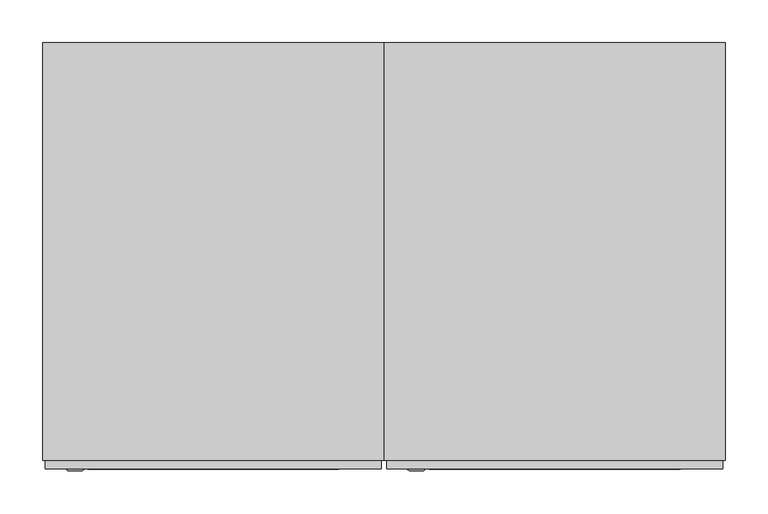
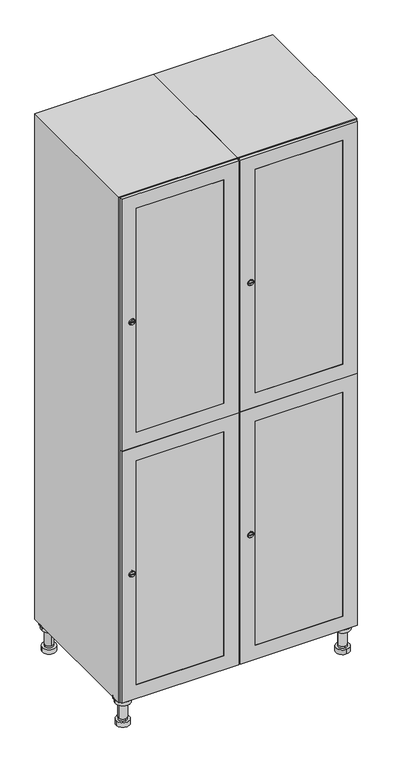
"""IFC4 building model written with IfcOpenShell, lengths in millimetres: furniture geometry."""

from ifc_helpers import new_model, si_unit, point, frame, frame_2d, origin, place, context, project, spatial, polyline, circle_curve, trimmed, segment, composite_curve, outline, extrude, faceted_brep, source, transform, mapped, element, save
from ifc_brep_helpers import plane_surface, cylinder_surface, revolved_surface, advanced_brep


def furniture_43996be2(model_context):
    return source(origin(), model_context, "Body", "SolidModel", [
        advanced_brep(
        [(570.0, -201.0, 22.0), (570.0, -201.5, 16.0), (570.0, -228.5, 16.0), (570.0, -229.0, 22.0), (556.0, -215.0, 22.0), (584.0, -215.0, 22.0), (570.0, -192.5, 16.0), (570.0, -237.5, 16.0), (570.0, -192.5, 0.0), (570.0, -237.5, 0.0), (584.0, -215.0, 78.0), (556.0, -215.0, 78.0), (595.0, -215.0, 78.0), (545.0, -215.0, 78.0), (600.0, -215.0, 94.0), (540.0, -215.0, 94.0), (545.0, -215.0, 94.0), (595.0, -215.0, 94.0), (600.0, -215.0, 100.0), (540.0, -215.0, 100.0)],
        [
            (0, 1),
            (1, 2, circle_curve(frame((570.0, -215.0, 16.0), z_axis=(0.0, 0.0, 1.0), x_axis=(0.0, -1.0, 0.0)), 13.5)),
            (2, 3),
            (3, 4, circle_curve(frame((570.0, -215.0, 22.0), z_axis=(0.0, 0.0, -1.0), x_axis=(0.0, -1.0, 0.0)), 14.0)),
            (4, 0, circle_curve(frame((570.0, -215.0, 22.0), z_axis=(0.0, 0.0, -1.0), x_axis=(0.0, -1.0, 0.0)), 14.0)),
            (0, 5, circle_curve(frame((570.0, -215.0, 22.0), z_axis=(0.0, 0.0, -1.0), x_axis=(0.0, 1.0, 0.0)), 14.0)),
            (5, 3, circle_curve(frame((570.0, -215.0, 22.0), z_axis=(0.0, 0.0, -1.0), x_axis=(0.0, 1.0, 0.0)), 14.0)),
            (2, 1, circle_curve(frame((570.0, -215.0, 16.0), z_axis=(0.0, 0.0, 1.0), x_axis=(0.0, 1.0, 0.0)), 13.5)),
            (6, 7, circle_curve(frame((570.0, -215.0, 16.0), z_axis=(0.0, 0.0, 1.0), x_axis=(0.0, -1.0, 0.0)), 22.5)),
            (7, 6, circle_curve(frame((570.0, -215.0, 16.0), z_axis=(0.0, 0.0, 1.0), x_axis=(0.0, -1.0, 0.0)), 22.5)),
            (8, 9, circle_curve(frame((570.0, -215.0, 0.0), z_axis=(0.0, 0.0, -1.0), x_axis=(0.0, -1.0, 0.0)), 22.5)),
            (9, 8, circle_curve(frame((570.0, -215.0, 0.0), z_axis=(0.0, 0.0, -1.0), x_axis=(0.0, -1.0, 0.0)), 22.5)),
            (6, 8),
            (9, 7),
            (5, 10),
            (10, 11, circle_curve(frame((570.0, -215.0, 78.0), z_axis=(0.0, 0.0, -1.0), x_axis=(-1.0, 0.0, 0.0)), 14.0)),
            (11, 4),
            (11, 10, circle_curve(frame((570.0, -215.0, 78.0), z_axis=(0.0, 0.0, -1.0), x_axis=(-1.0, 0.0, 0.0)), 14.0)),
            (12, 13, circle_curve(frame((570.0, -215.0, 78.0), z_axis=(0.0, 0.0, -1.0), x_axis=(-1.0, 0.0, 0.0)), 25.0)),
            (13, 12, circle_curve(frame((570.0, -215.0, 78.0), z_axis=(0.0, 0.0, -1.0), x_axis=(-1.0, 0.0, 0.0)), 25.0)),
            (14, 15, circle_curve(frame((570.0, -215.0, 94.0), z_axis=(0.0, 0.0, -1.0), x_axis=(-1.0, 0.0, 0.0)), 30.0)),
            (15, 14, circle_curve(frame((570.0, -215.0, 94.0), z_axis=(0.0, 0.0, -1.0), x_axis=(-1.0, 0.0, 0.0)), 30.0)),
            (16, 17, circle_curve(frame((570.0, -215.0, 94.0), z_axis=(0.0, 0.0, 1.0), x_axis=(-1.0, 0.0, 0.0)), 25.0)),
            (17, 16, circle_curve(frame((570.0, -215.0, 94.0), z_axis=(0.0, 0.0, 1.0), x_axis=(-1.0, 0.0, 0.0)), 25.0)),
            (18, 19, circle_curve(frame((570.0, -215.0, 100.0), z_axis=(0.0, 0.0, 1.0), x_axis=(-1.0, 0.0, 0.0)), 30.0)),
            (19, 18, circle_curve(frame((570.0, -215.0, 100.0), z_axis=(0.0, 0.0, 1.0), x_axis=(-1.0, 0.0, 0.0)), 30.0)),
            (14, 18),
            (19, 15),
            (12, 17),
            (16, 13),
        ],
        [
            revolved_surface(polyline([(570.0, -201.5, 16.0), (570.0, -201.0, 22.0)]), (570.0, -215.0, -146.0), (0.0, 0.0, 1.0)),
            plane_surface(frame((570.0, 0.0, 16.0), z_axis=(0.0, 0.0, 1.0), x_axis=(0.0, -1.0, 0.0))),
            plane_surface(frame((570.0, 0.0, 0.0), z_axis=(0.0, 0.0, -1.0), x_axis=(0.0, -1.0, 0.0))),
            cylinder_surface(frame((570.0, -215.0, 16.0), z_axis=(0.0, 0.0, 1.0), x_axis=(0.0, -1.0, 0.0)), 22.5),
            cylinder_surface(frame((570.0, -215.0, 22.0), z_axis=(0.0, 0.0, -1.0), x_axis=(-1.0, 0.0, 0.0)), 14.0),
            plane_surface(frame((570.0, 0.0, 78.0), z_axis=(0.0, 0.0, -1.0), x_axis=(0.0, -1.0, 0.0))),
            plane_surface(frame((570.0, 0.0, 94.0), z_axis=(0.0, 0.0, -1.0), x_axis=(0.0, -1.0, 0.0))),
            plane_surface(frame((570.0, 0.0, 100.0), z_axis=(0.0, 0.0, 1.0), x_axis=(0.0, -1.0, 0.0))),
            cylinder_surface(frame((570.0, -215.0, 94.0), z_axis=(0.0, 0.0, -1.0), x_axis=(-1.0, 0.0, 0.0)), 30.0),
            cylinder_surface(frame((570.0, -215.0, 78.0), z_axis=(0.0, 0.0, -1.0), x_axis=(-1.0, 0.0, 0.0)), 25.0),
        ],
        [
            (0, [[1, 2, 3, 4, 5]]),
            (0, [[-1, 6, 7, -3, 8]]),
            (1, [[9, 10], [-2, -8]]),
            (2, [[11, 12]]),
            (3, [[-9, 13, -12, 14]]),
            (3, [[-10, -14, -11, -13]]),
            (4, [[15, 16, 17, -4, -7]]),
            (4, [[-15, -6, -5, -17, 18]]),
            (5, [[19, 20], [-16, -18]]),
            (6, [[21, 22], [23, 24]]),
            (7, [[25, 26]]),
            (8, [[-21, 27, -26, 28]]),
            (8, [[-22, -28, -25, -27]]),
            (9, [[-19, 29, -23, 30]]),
            (9, [[-20, -30, -24, -29]]),
        ],
    ),
        advanced_brep(
        [(-170.0, -201.0, 22.0), (-170.0, -201.5, 16.0), (-170.0, -228.5, 16.0), (-170.0, -229.0, 22.0), (-184.0, -215.0, 22.0), (-156.0, -215.0, 22.0), (-147.5, -215.0, 0.0), (-192.5, -215.0, 0.0), (-147.5, -215.0, 16.0), (-192.5, -215.0, 16.0), (-156.0, -215.0, 78.0), (-184.0, -215.0, 78.0), (-145.0, -215.0, 78.0), (-195.0, -215.0, 78.0), (-140.0, -215.0, 94.0), (-200.0, -215.0, 94.0), (-195.0, -215.0, 94.0), (-145.0, -215.0, 94.0), (-140.0, -215.0, 100.0), (-200.0, -215.0, 100.0)],
        [
            (0, 1),
            (1, 2, circle_curve(frame((-170.0, -215.0, 16.0), z_axis=(0.0, 0.0, 1.0), x_axis=(0.0, -1.0, 0.0)), 13.5)),
            (2, 3),
            (3, 4, circle_curve(frame((-170.0, -215.0, 22.0), z_axis=(0.0, 0.0, -1.0), x_axis=(0.0, -1.0, 0.0)), 14.0)),
            (4, 0, circle_curve(frame((-170.0, -215.0, 22.0), z_axis=(0.0, 0.0, -1.0), x_axis=(0.0, -1.0, 0.0)), 14.0)),
            (0, 5, circle_curve(frame((-170.0, -215.0, 22.0), z_axis=(0.0, 0.0, -1.0), x_axis=(0.0, 1.0, 0.0)), 14.0)),
            (5, 3, circle_curve(frame((-170.0, -215.0, 22.0), z_axis=(0.0, 0.0, -1.0), x_axis=(0.0, 1.0, 0.0)), 14.0)),
            (2, 1, circle_curve(frame((-170.0, -215.0, 16.0), z_axis=(0.0, 0.0, 1.0), x_axis=(0.0, 1.0, 0.0)), 13.5)),
            (6, 7, circle_curve(frame((-170.0, -215.0, 0.0), z_axis=(0.0, 0.0, -1.0), x_axis=(-1.0, 0.0, 0.0)), 22.5)),
            (7, 6, circle_curve(frame((-170.0, -215.0, 0.0), z_axis=(0.0, 0.0, -1.0), x_axis=(-1.0, 0.0, 0.0)), 22.5)),
            (8, 9, circle_curve(frame((-170.0, -215.0, 16.0), z_axis=(0.0, 0.0, 1.0), x_axis=(-1.0, 0.0, 0.0)), 22.5)),
            (9, 8, circle_curve(frame((-170.0, -215.0, 16.0), z_axis=(0.0, 0.0, 1.0), x_axis=(-1.0, 0.0, 0.0)), 22.5)),
            (6, 8),
            (9, 7),
            (5, 10),
            (10, 11, circle_curve(frame((-170.0, -215.0, 78.0), z_axis=(0.0, 0.0, -1.0), x_axis=(-1.0, 0.0, 0.0)), 14.0)),
            (11, 4),
            (11, 10, circle_curve(frame((-170.0, -215.0, 78.0), z_axis=(0.0, 0.0, -1.0), x_axis=(-1.0, 0.0, 0.0)), 14.0)),
            (12, 13, circle_curve(frame((-170.0, -215.0, 78.0), z_axis=(0.0, 0.0, -1.0), x_axis=(-1.0, 0.0, 0.0)), 25.0)),
            (13, 12, circle_curve(frame((-170.0, -215.0, 78.0), z_axis=(0.0, 0.0, -1.0), x_axis=(-1.0, 0.0, 0.0)), 25.0)),
            (14, 15, circle_curve(frame((-170.0, -215.0, 94.0), z_axis=(0.0, 0.0, -1.0), x_axis=(-1.0, 0.0, 0.0)), 30.0)),
            (15, 14, circle_curve(frame((-170.0, -215.0, 94.0), z_axis=(0.0, 0.0, -1.0), x_axis=(-1.0, 0.0, 0.0)), 30.0)),
            (16, 17, circle_curve(frame((-170.0, -215.0, 94.0), z_axis=(0.0, 0.0, 1.0), x_axis=(-1.0, 0.0, 0.0)), 25.0)),
            (17, 16, circle_curve(frame((-170.0, -215.0, 94.0), z_axis=(0.0, 0.0, 1.0), x_axis=(-1.0, 0.0, 0.0)), 25.0)),
            (18, 19, circle_curve(frame((-170.0, -215.0, 100.0), z_axis=(0.0, 0.0, 1.0), x_axis=(-1.0, 0.0, 0.0)), 30.0)),
            (19, 18, circle_curve(frame((-170.0, -215.0, 100.0), z_axis=(0.0, 0.0, 1.0), x_axis=(-1.0, 0.0, 0.0)), 30.0)),
            (14, 18),
            (19, 15),
            (12, 17),
            (16, 13),
        ],
        [
            revolved_surface(polyline([(-170.0, -201.5, 16.0), (-170.0, -201.0, 22.0)]), (-170.0, -215.0, -146.0), (0.0, 0.0, 1.0)),
            plane_surface(frame((-170.0, 0.0, 0.0), z_axis=(0.0, 0.0, -1.0), x_axis=(0.0, -1.0, 0.0))),
            plane_surface(frame((-170.0, 0.0, 16.0), z_axis=(0.0, 0.0, 1.0), x_axis=(0.0, -1.0, 0.0))),
            cylinder_surface(frame((-170.0, -215.0, 0.0), z_axis=(0.0, 0.0, -1.0), x_axis=(-1.0, 0.0, 0.0)), 22.5),
            cylinder_surface(frame((-170.0, -215.0, 22.0), z_axis=(0.0, 0.0, -1.0), x_axis=(-1.0, 0.0, 0.0)), 14.0),
            plane_surface(frame((-170.0, 0.0, 78.0), z_axis=(0.0, 0.0, -1.0), x_axis=(0.0, -1.0, 0.0))),
            plane_surface(frame((-170.0, 0.0, 94.0), z_axis=(0.0, 0.0, -1.0), x_axis=(0.0, -1.0, 0.0))),
            plane_surface(frame((-170.0, 0.0, 100.0), z_axis=(0.0, 0.0, 1.0), x_axis=(0.0, -1.0, 0.0))),
            cylinder_surface(frame((-170.0, -215.0, 94.0), z_axis=(0.0, 0.0, -1.0), x_axis=(-1.0, 0.0, 0.0)), 30.0),
            cylinder_surface(frame((-170.0, -215.0, 78.0), z_axis=(0.0, 0.0, -1.0), x_axis=(-1.0, 0.0, 0.0)), 25.0),
        ],
        [
            (0, [[1, 2, 3, 4, 5]]),
            (0, [[-1, 6, 7, -3, 8]]),
            (1, [[9, 10]]),
            (2, [[11, 12], [-2, -8]]),
            (3, [[-9, 13, -12, 14]]),
            (3, [[-10, -14, -11, -13]]),
            (4, [[15, 16, 17, -4, -7]]),
            (4, [[-15, -6, -5, -17, 18]]),
            (5, [[19, 20], [-16, -18]]),
            (6, [[21, 22], [23, 24]]),
            (7, [[25, 26]]),
            (8, [[-21, 27, -26, 28]]),
            (8, [[-22, -28, -25, -27]]),
            (9, [[-19, 29, -23, 30]]),
            (9, [[-20, -30, -24, -29]]),
        ],
    ),
        advanced_brep(
        [(583.5, 215.0, 16.0), (584.0, 215.0, 22.0), (556.0, 215.0, 22.0), (556.5, 215.0, 16.0), (592.5, 215.0, 0.0), (547.5, 215.0, 0.0), (592.5, 215.0, 16.0), (547.5, 215.0, 16.0), (584.0, 215.0, 78.0), (556.0, 215.0, 78.0), (595.0, 215.0, 78.0), (545.0, 215.0, 78.0), (600.0, 215.0, 94.0), (540.0, 215.0, 94.0), (545.0, 215.0, 94.0), (595.0, 215.0, 94.0), (600.0, 215.0, 100.0), (540.0, 215.0, 100.0)],
        [
            (0, 1),
            (1, 2, circle_curve(frame((570.0, 215.0, 22.0), z_axis=(0.0, 0.0, -1.0), x_axis=(-1.0, 0.0, 0.0)), 14.0)),
            (2, 3),
            (3, 0, circle_curve(frame((570.0, 215.0, 16.0), z_axis=(0.0, 0.0, 1.0), x_axis=(-1.0, 0.0, 0.0)), 13.5)),
            (0, 3, circle_curve(frame((570.0, 215.0, 16.0), z_axis=(0.0, 0.0, 1.0), x_axis=(1.0, 0.0, 0.0)), 13.5)),
            (2, 1, circle_curve(frame((570.0, 215.0, 22.0), z_axis=(0.0, 0.0, -1.0), x_axis=(1.0, 0.0, 0.0)), 14.0)),
            (4, 5, circle_curve(frame((570.0, 215.0, 0.0), z_axis=(0.0, 0.0, -1.0), x_axis=(-1.0, 0.0, 0.0)), 22.5)),
            (5, 4, circle_curve(frame((570.0, 215.0, 0.0), z_axis=(0.0, 0.0, -1.0), x_axis=(-1.0, 0.0, 0.0)), 22.5)),
            (6, 7, circle_curve(frame((570.0, 215.0, 16.0), z_axis=(0.0, 0.0, 1.0), x_axis=(-1.0, 0.0, 0.0)), 22.5)),
            (7, 6, circle_curve(frame((570.0, 215.0, 16.0), z_axis=(0.0, 0.0, 1.0), x_axis=(-1.0, 0.0, 0.0)), 22.5)),
            (4, 6),
            (7, 5),
            (1, 8),
            (8, 9, circle_curve(frame((570.0, 215.0, 78.0), z_axis=(0.0, 0.0, -1.0), x_axis=(-1.0, 0.0, 0.0)), 14.0)),
            (9, 2),
            (9, 8, circle_curve(frame((570.0, 215.0, 78.0), z_axis=(0.0, 0.0, -1.0), x_axis=(-1.0, 0.0, 0.0)), 14.0)),
            (10, 11, circle_curve(frame((570.0, 215.0, 78.0), z_axis=(0.0, 0.0, -1.0), x_axis=(-1.0, 0.0, 0.0)), 25.0)),
            (11, 10, circle_curve(frame((570.0, 215.0, 78.0), z_axis=(0.0, 0.0, -1.0), x_axis=(-1.0, 0.0, 0.0)), 25.0)),
            (12, 13, circle_curve(frame((570.0, 215.0, 94.0), z_axis=(0.0, 0.0, -1.0), x_axis=(-1.0, 0.0, 0.0)), 30.0)),
            (13, 12, circle_curve(frame((570.0, 215.0, 94.0), z_axis=(0.0, 0.0, -1.0), x_axis=(-1.0, 0.0, 0.0)), 30.0)),
            (14, 15, circle_curve(frame((570.0, 215.0, 94.0), z_axis=(0.0, 0.0, 1.0), x_axis=(-1.0, 0.0, 0.0)), 25.0)),
            (15, 14, circle_curve(frame((570.0, 215.0, 94.0), z_axis=(0.0, 0.0, 1.0), x_axis=(-1.0, 0.0, 0.0)), 25.0)),
            (16, 17, circle_curve(frame((570.0, 215.0, 100.0), z_axis=(0.0, 0.0, 1.0), x_axis=(-1.0, 0.0, 0.0)), 30.0)),
            (17, 16, circle_curve(frame((570.0, 215.0, 100.0), z_axis=(0.0, 0.0, 1.0), x_axis=(-1.0, 0.0, 0.0)), 30.0)),
            (12, 16),
            (17, 13),
            (10, 15),
            (14, 11),
        ],
        [
            revolved_surface(polyline([(583.5, 215.0, 16.0), (584.0, 215.0, 22.0)]), (570.0, 215.0, -146.0), (0.0, 0.0, 1.0)),
            plane_surface(frame((570.0, 0.0, 0.0), z_axis=(0.0, 0.0, -1.0), x_axis=(0.0, -1.0, 0.0))),
            plane_surface(frame((570.0, 0.0, 16.0), z_axis=(0.0, 0.0, 1.0), x_axis=(0.0, -1.0, 0.0))),
            cylinder_surface(frame((570.0, 215.0, 0.0), z_axis=(0.0, 0.0, -1.0), x_axis=(-1.0, 0.0, 0.0)), 22.5),
            cylinder_surface(frame((570.0, 215.0, 22.0), z_axis=(0.0, 0.0, -1.0), x_axis=(-1.0, 0.0, 0.0)), 14.0),
            plane_surface(frame((570.0, 0.0, 78.0), z_axis=(0.0, 0.0, -1.0), x_axis=(0.0, -1.0, 0.0))),
            plane_surface(frame((570.0, 0.0, 94.0), z_axis=(0.0, 0.0, -1.0), x_axis=(0.0, -1.0, 0.0))),
            plane_surface(frame((570.0, 0.0, 100.0), z_axis=(0.0, 0.0, 1.0), x_axis=(0.0, -1.0, 0.0))),
            cylinder_surface(frame((570.0, 215.0, 94.0), z_axis=(0.0, 0.0, -1.0), x_axis=(-1.0, 0.0, 0.0)), 30.0),
            cylinder_surface(frame((570.0, 215.0, 78.0), z_axis=(0.0, 0.0, -1.0), x_axis=(-1.0, 0.0, 0.0)), 25.0),
        ],
        [
            (0, [[1, 2, 3, 4]]),
            (0, [[-1, 5, -3, 6]]),
            (1, [[7, 8]]),
            (2, [[9, 10], [-4, -5]]),
            (3, [[-7, 11, -10, 12]]),
            (3, [[-8, -12, -9, -11]]),
            (4, [[13, 14, 15, -2]]),
            (4, [[-13, -6, -15, 16]]),
            (5, [[17, 18], [-14, -16]]),
            (6, [[19, 20], [21, 22]]),
            (7, [[23, 24]]),
            (8, [[-19, 25, -24, 26]]),
            (8, [[-20, -26, -23, -25]]),
            (9, [[-17, 27, -21, 28]]),
            (9, [[-18, -28, -22, -27]]),
        ],
    ),
        advanced_brep(
        [(-156.5, 215.0, 16.0), (-156.0, 215.0, 22.0), (-170.0, 201.0, 22.0), (-184.0, 215.0, 22.0), (-183.5, 215.0, 16.0), (-170.0, 229.0, 22.0), (-147.5, 215.0, 0.0), (-192.5, 215.0, 0.0), (-147.5, 215.0, 16.0), (-192.5, 215.0, 16.0), (-170.0, 229.0, 78.0), (-170.0, 201.0, 78.0), (-145.0, 215.0, 78.0), (-195.0, 215.0, 78.0), (-140.0, 215.0, 94.0), (-200.0, 215.0, 94.0), (-195.0, 215.0, 94.0), (-145.0, 215.0, 94.0), (-140.0, 215.0, 100.0), (-200.0, 215.0, 100.0)],
        [
            (0, 1),
            (1, 2, circle_curve(frame((-170.0, 215.0, 22.0), z_axis=(0.0, 0.0, -1.0), x_axis=(-1.0, 0.0, 0.0)), 14.0)),
            (2, 3, circle_curve(frame((-170.0, 215.0, 22.0), z_axis=(0.0, 0.0, -1.0), x_axis=(-1.0, 0.0, 0.0)), 14.0)),
            (3, 4),
            (4, 0, circle_curve(frame((-170.0, 215.0, 16.0), z_axis=(0.0, 0.0, 1.0), x_axis=(-1.0, 0.0, 0.0)), 13.5)),
            (0, 4, circle_curve(frame((-170.0, 215.0, 16.0), z_axis=(0.0, 0.0, 1.0), x_axis=(1.0, 0.0, 0.0)), 13.5)),
            (3, 5, circle_curve(frame((-170.0, 215.0, 22.0), z_axis=(0.0, 0.0, -1.0), x_axis=(1.0, 0.0, 0.0)), 14.0)),
            (5, 1, circle_curve(frame((-170.0, 215.0, 22.0), z_axis=(0.0, 0.0, -1.0), x_axis=(1.0, 0.0, 0.0)), 14.0)),
            (6, 7, circle_curve(frame((-170.0, 215.0, 0.0), z_axis=(0.0, 0.0, -1.0), x_axis=(-1.0, 0.0, 0.0)), 22.5)),
            (7, 6, circle_curve(frame((-170.0, 215.0, 0.0), z_axis=(0.0, 0.0, -1.0), x_axis=(-1.0, 0.0, 0.0)), 22.5)),
            (8, 9, circle_curve(frame((-170.0, 215.0, 16.0), z_axis=(0.0, 0.0, 1.0), x_axis=(-1.0, 0.0, 0.0)), 22.5)),
            (9, 8, circle_curve(frame((-170.0, 215.0, 16.0), z_axis=(0.0, 0.0, 1.0), x_axis=(-1.0, 0.0, 0.0)), 22.5)),
            (6, 8),
            (9, 7),
            (10, 5),
            (2, 11),
            (11, 10, circle_curve(frame((-170.0, 215.0, 78.0), z_axis=(0.0, 0.0, -1.0), x_axis=(0.0, -1.0, 0.0)), 14.0)),
            (10, 11, circle_curve(frame((-170.0, 215.0, 78.0), z_axis=(0.0, 0.0, -1.0), x_axis=(0.0, -1.0, 0.0)), 14.0)),
            (12, 13, circle_curve(frame((-170.0, 215.0, 78.0), z_axis=(0.0, 0.0, -1.0), x_axis=(-1.0, 0.0, 0.0)), 25.0)),
            (13, 12, circle_curve(frame((-170.0, 215.0, 78.0), z_axis=(0.0, 0.0, -1.0), x_axis=(-1.0, 0.0, 0.0)), 25.0)),
            (14, 15, circle_curve(frame((-170.0, 215.0, 94.0), z_axis=(0.0, 0.0, -1.0), x_axis=(-1.0, 0.0, 0.0)), 30.0)),
            (15, 14, circle_curve(frame((-170.0, 215.0, 94.0), z_axis=(0.0, 0.0, -1.0), x_axis=(-1.0, 0.0, 0.0)), 30.0)),
            (16, 17, circle_curve(frame((-170.0, 215.0, 94.0), z_axis=(0.0, 0.0, 1.0), x_axis=(-1.0, 0.0, 0.0)), 25.0)),
            (17, 16, circle_curve(frame((-170.0, 215.0, 94.0), z_axis=(0.0, 0.0, 1.0), x_axis=(-1.0, 0.0, 0.0)), 25.0)),
            (18, 19, circle_curve(frame((-170.0, 215.0, 100.0), z_axis=(0.0, 0.0, 1.0), x_axis=(-1.0, 0.0, 0.0)), 30.0)),
            (19, 18, circle_curve(frame((-170.0, 215.0, 100.0), z_axis=(0.0, 0.0, 1.0), x_axis=(-1.0, 0.0, 0.0)), 30.0)),
            (14, 18),
            (19, 15),
            (12, 17),
            (16, 13),
        ],
        [
            revolved_surface(polyline([(-156.5, 215.0, 16.0), (-156.0, 215.0, 22.0)]), (-170.0, 215.0, -146.0), (0.0, 0.0, 1.0)),
            plane_surface(frame((-170.0, 0.0, 0.0), z_axis=(0.0, 0.0, -1.0), x_axis=(0.0, -1.0, 0.0))),
            plane_surface(frame((-170.0, 0.0, 16.0), z_axis=(0.0, 0.0, 1.0), x_axis=(0.0, -1.0, 0.0))),
            cylinder_surface(frame((-170.0, 215.0, 0.0), z_axis=(0.0, 0.0, -1.0), x_axis=(-1.0, 0.0, 0.0)), 22.5),
            cylinder_surface(frame((-170.0, 215.0, 78.0), z_axis=(0.0, 0.0, 1.0), x_axis=(0.0, -1.0, 0.0)), 14.0),
            plane_surface(frame((-170.0, 0.0, 78.0), z_axis=(0.0, 0.0, -1.0), x_axis=(0.0, -1.0, 0.0))),
            plane_surface(frame((-170.0, 0.0, 94.0), z_axis=(0.0, 0.0, -1.0), x_axis=(0.0, -1.0, 0.0))),
            plane_surface(frame((-170.0, 0.0, 100.0), z_axis=(0.0, 0.0, 1.0), x_axis=(0.0, -1.0, 0.0))),
            cylinder_surface(frame((-170.0, 215.0, 94.0), z_axis=(0.0, 0.0, -1.0), x_axis=(-1.0, 0.0, 0.0)), 30.0),
            cylinder_surface(frame((-170.0, 215.0, 78.0), z_axis=(0.0, 0.0, -1.0), x_axis=(-1.0, 0.0, 0.0)), 25.0),
        ],
        [
            (0, [[1, 2, 3, 4, 5]]),
            (0, [[-1, 6, -4, 7, 8]]),
            (1, [[9, 10]]),
            (2, [[11, 12], [-5, -6]]),
            (3, [[-9, 13, -12, 14]]),
            (3, [[-10, -14, -11, -13]]),
            (4, [[15, -7, -3, 16, 17]]),
            (4, [[-15, 18, -16, -2, -8]]),
            (5, [[19, 20], [-17, -18]]),
            (6, [[21, 22], [23, 24]]),
            (7, [[25, 26]]),
            (8, [[-21, 27, -26, 28]]),
            (8, [[-22, -28, -25, -27]]),
            (9, [[-19, 29, -23, 30]]),
            (9, [[-20, -30, -24, -29]]),
        ],
    ),
        extrude(outline(composite_curve([segment(trimmed(circle_curve(frame_2d((1448.5, 211.2010534)), 7.0), [point((1455.5, 211.2010534))], [point((1441.5, 211.2010534))], False, "CARTESIAN"), True, "CONTINUOUS"), segment(polyline([(1441.5, 211.2010534), (1441.5, 239.2010534)]), True, "CONTINUOUS"), segment(trimmed(circle_curve(frame_2d((1448.5, 239.2010534)), 7.0), [point((1441.5, 239.2010534))], [point((1455.5, 239.2010534))], False, "CARTESIAN"), True, "CONTINUOUS"), segment(polyline([(1455.5, 239.2010534), (1455.5, 211.2010534)]), True, "CONTINUOUS")], self_intersect=False)), frame((0.0, -245.0, 0.0), z_axis=(0.0, 1.0, 0.0), x_axis=(0.0, 0.0, 1.0)), (0.0, 0.0, 1.0), 2.0),
        advanced_brep(
        [(246.5, -257.2, 1448.5), (229.5, -257.2, 1448.5), (233.0, -257.2, 1447.25), (233.0, -257.2, 1449.75), (243.0, -257.2, 1449.75), (243.0, -257.2, 1447.25), (248.5, -255.0, 1448.5), (227.5, -255.0, 1448.5), (233.0, -255.0, 1449.75), (233.0, -255.0, 1447.25), (243.0, -255.0, 1447.25), (243.0, -255.0, 1449.75)],
        [
            (0, 1, circle_curve(frame((238.0, -257.2, 1448.5), z_axis=(0.0, -1.0, 0.0), x_axis=(1.0, 0.0, 0.0)), 8.5)),
            (1, 0, circle_curve(frame((238.0, -257.2, 1448.5), z_axis=(0.0, -1.0, 0.0), x_axis=(-1.0, 0.0, 0.0)), 8.5)),
            (2, 3),
            (3, 4),
            (4, 5),
            (5, 2),
            (6, 7, circle_curve(frame((238.0, -255.0, 1448.5), z_axis=(0.0, 1.0, 0.0), x_axis=(-1.0, 0.0, 0.0)), 10.5)),
            (7, 6, circle_curve(frame((238.0, -255.0, 1448.5), z_axis=(0.0, 1.0, 0.0), x_axis=(1.0, 0.0, 0.0)), 10.5)),
            (8, 9),
            (9, 10),
            (10, 11),
            (11, 8),
            (0, 6),
            (7, 1),
            (8, 3),
            (2, 9),
            (11, 4),
            (10, 5),
        ],
        [
            plane_surface(frame((238.0, -257.2, 1448.5), z_axis=(0.0, -1.0, 0.0), x_axis=(0.0, 0.0, 1.0))),
            plane_surface(frame((238.0, -255.0, 1448.5), z_axis=(0.0, 1.0, 0.0), x_axis=(0.0, 0.0, 1.0))),
            revolved_surface(polyline([(246.5, -257.2, 1448.5), (248.5, -255.0, 1448.5)]), (238.0, -266.55, 1448.5), (0.0, 1.0, 0.0)),
            revolved_surface(polyline([(229.5, -257.2, 1448.5), (227.5, -255.0, 1448.5)]), (238.0, -266.55, 1448.5), (0.0, 1.0, 0.0)),
            plane_surface(frame((233.0, -255.0, 1447.25), z_axis=(1.0, 0.0, 0.0), x_axis=(0.0, -1.0, 0.0))),
            plane_surface(frame((233.0, -255.0, 1449.75), z_axis=(0.0, 0.0, -1.0), x_axis=(0.0, -1.0, 0.0))),
            plane_surface(frame((243.0, -255.0, 1449.75), z_axis=(-1.0, 0.0, 0.0), x_axis=(0.0, -1.0, 0.0))),
            plane_surface(frame((243.0, -255.0, 1447.25), z_axis=(0.0, 0.0, 1.0), x_axis=(0.0, -1.0, 0.0))),
        ],
        [
            (0, [[1, 2], [3, 4, 5, 6]]),
            (1, [[7, 8], [9, 10, 11, 12]]),
            (2, [[-1, 13, -8, 14]]),
            (3, [[-2, -14, -7, -13]]),
            (4, [[15, -3, 16, -9]]),
            (5, [[-15, -12, 17, -4]]),
            (6, [[-17, -11, 18, -5]]),
            (7, [[-16, -6, -18, -10]]),
        ],
    ),
        extrude(outline(composite_curve([segment(trimmed(circle_curve(frame_2d((551.5, 211.2010534)), 7.0), [point((558.5, 211.2010534))], [point((544.5, 211.2010534))], False, "CARTESIAN"), True, "CONTINUOUS"), segment(polyline([(544.5, 211.2010534), (544.5, 239.2010534)]), True, "CONTINUOUS"), segment(trimmed(circle_curve(frame_2d((551.5, 239.2010534)), 7.0), [point((544.5, 239.2010534))], [point((558.5, 239.2010534))], False, "CARTESIAN"), True, "CONTINUOUS"), segment(polyline([(558.5, 239.2010534), (558.5, 211.2010534)]), True, "CONTINUOUS")], self_intersect=False)), frame((0.0, -245.0, 0.0), z_axis=(0.0, 1.0, 0.0), x_axis=(0.0, 0.0, 1.0)), (0.0, 0.0, 1.0), 2.0),
        advanced_brep(
        [(246.5, -257.2, 551.5), (229.5, -257.2, 551.5), (233.0, -257.2, 550.25), (233.0, -257.2, 552.75), (243.0, -257.2, 552.75), (243.0, -257.2, 550.25), (248.5, -255.0, 551.5), (227.5, -255.0, 551.5), (233.0, -255.0, 552.75), (233.0, -255.0, 550.25), (243.0, -255.0, 550.25), (243.0, -255.0, 552.75)],
        [
            (0, 1, circle_curve(frame((238.0, -257.2, 551.5), z_axis=(0.0, -1.0, 0.0), x_axis=(1.0, 0.0, 0.0)), 8.5)),
            (1, 0, circle_curve(frame((238.0, -257.2, 551.5), z_axis=(0.0, -1.0, 0.0), x_axis=(-1.0, 0.0, 0.0)), 8.5)),
            (2, 3),
            (3, 4),
            (4, 5),
            (5, 2),
            (6, 7, circle_curve(frame((238.0, -255.0, 551.5), z_axis=(0.0, 1.0, 0.0), x_axis=(-1.0, 0.0, 0.0)), 10.5)),
            (7, 6, circle_curve(frame((238.0, -255.0, 551.5), z_axis=(0.0, 1.0, 0.0), x_axis=(1.0, 0.0, 0.0)), 10.5)),
            (8, 9),
            (9, 10),
            (10, 11),
            (11, 8),
            (0, 6),
            (7, 1),
            (8, 3),
            (2, 9),
            (11, 4),
            (10, 5),
        ],
        [
            plane_surface(frame((238.0, -257.2, 551.5), z_axis=(0.0, -1.0, 0.0), x_axis=(0.0, 0.0, 1.0))),
            plane_surface(frame((238.0, -255.0, 551.5), z_axis=(0.0, 1.0, 0.0), x_axis=(0.0, 0.0, 1.0))),
            revolved_surface(polyline([(246.5, -257.2, 551.5), (248.5, -255.0, 551.5)]), (238.0, -266.55, 551.5), (0.0, 1.0, 0.0)),
            revolved_surface(polyline([(229.5, -257.2, 551.5), (227.5, -255.0, 551.5)]), (238.0, -266.55, 551.5), (0.0, 1.0, 0.0)),
            plane_surface(frame((233.0, -255.0, 550.25), z_axis=(1.0, 0.0, 0.0), x_axis=(0.0, -1.0, 0.0))),
            plane_surface(frame((233.0, -255.0, 552.75), z_axis=(0.0, 0.0, -1.0), x_axis=(0.0, -1.0, 0.0))),
            plane_surface(frame((243.0, -255.0, 552.75), z_axis=(-1.0, 0.0, 0.0), x_axis=(0.0, -1.0, 0.0))),
            plane_surface(frame((243.0, -255.0, 550.25), z_axis=(0.0, 0.0, 1.0), x_axis=(0.0, -1.0, 0.0))),
        ],
        [
            (0, [[1, 2], [3, 4, 5, 6]]),
            (1, [[7, 8], [9, 10, 11, 12]]),
            (2, [[-1, 13, -8, 14]]),
            (3, [[-2, -14, -7, -13]]),
            (4, [[15, -3, 16, -9]]),
            (5, [[-15, -12, 17, -4]]),
            (6, [[-17, -11, 18, -5]]),
            (7, [[-16, -6, -18, -10]]),
        ],
    ),
        extrude(outline(polyline([(1000.5, 597.0), (1897.0, 597.0), (1897.0, 203.0), (1000.5, 203.0), (1000.5, 597.0)]), holes=[polyline([(1847.0, 253.0), (1847.0, 547.0), (1050.5, 547.0), (1050.5, 253.0), (1847.0, 253.0)])]), frame((0.0, -255.0, 0.0), z_axis=(0.0, 1.0, 0.0), x_axis=(0.0, 0.0, 1.0)), (0.0, 0.0, 1.0), 10.0),
        extrude(outline(polyline([(999.5, 203.0), (103.0, 203.0), (103.0, 597.0), (999.5, 597.0), (999.5, 203.0)]), holes=[polyline([(153.0, 253.0), (949.5, 253.0), (949.5, 547.0), (153.0, 547.0), (153.0, 253.0)])]), frame((0.0, -255.0, 0.0), z_axis=(0.0, 1.0, 0.0), x_axis=(0.0, 0.0, 1.0)), (0.0, 0.0, 1.0), 10.0),
        extrude(outline(polyline([(547.0, -255.0), (253.0, -255.0), (253.0, -245.0), (547.0, -245.0), (547.0, -255.0)])), frame((0.0, 0.0, 1050.5), z_axis=(0.0, 0.0, 1.0), x_axis=(1.0, 0.0, 0.0)), (0.0, 0.0, 1.0), 796.5),
        extrude(outline(polyline([(547.0, -255.0), (253.0, -255.0), (253.0, -245.0), (547.0, -245.0), (547.0, -255.0)])), frame((0.0, 0.0, 153.0), z_axis=(0.0, 0.0, 1.0), x_axis=(1.0, 0.0, 0.0)), (0.0, 0.0, 1.0), 796.5),
        extrude(outline(polyline([(590.0, 241.0), (590.0, -235.0), (210.0, -235.0), (210.0, 241.0), (590.0, 241.0)])), frame((0.0, 0.0, 995.0), z_axis=(0.0, 0.0, 1.0), x_axis=(1.0, 0.0, 0.0)), (0.0, 0.0, 1.0), 10.0),
        faceted_brep([(600.0, -245.0, 100.0), (600.0, -245.0, 1900.0), (200.0, -245.0, 1900.0), (200.0, -245.0, 100.0), (590.0, -245.0, 1890.0), (590.0, -245.0, 110.0), (210.0, -245.0, 110.0), (210.0, -245.0, 1890.0), (600.0, 245.0, 100.0), (200.0, 245.0, 100.0), (600.0, 245.0, 1900.0), (200.0, 245.0, 1900.0), (590.0, 241.0, 1890.0), (590.0, 241.0, 110.0), (200.0, 245.0, 1890.0), (210.0, 241.0, 1890.0), (210.0, 241.0, 110.0)], [[[0, 1, 2, 3], [4, 5, 6, 7]], [[8, 0, 3, 9]], [[1, 0, 8, 10]], [[1, 10, 11, 2]], [[4, 12, 13, 5]], [[9, 3, 2, 11, 14]], [[10, 8, 9, 14, 11]], [[12, 15, 16, 13]], [[15, 7, 6, 16]], [[4, 7, 15, 12]], [[6, 5, 13, 16]]]),
        extrude(outline(composite_curve([segment(trimmed(circle_curve(frame_2d((1448.5, -188.7989466)), 7.0), [point((1455.5, -188.7989466))], [point((1441.5, -188.7989466))], False, "CARTESIAN"), True, "CONTINUOUS"), segment(polyline([(1441.5, -188.7989466), (1441.5, -160.7989466)]), True, "CONTINUOUS"), segment(trimmed(circle_curve(frame_2d((1448.5, -160.7989466)), 7.0), [point((1441.5, -160.7989466))], [point((1455.5, -160.7989466))], False, "CARTESIAN"), True, "CONTINUOUS"), segment(polyline([(1455.5, -160.7989466), (1455.5, -188.7989466)]), True, "CONTINUOUS")], self_intersect=False)), frame((0.0, -245.0, 0.0), z_axis=(0.0, 1.0, 0.0), x_axis=(0.0, 0.0, 1.0)), (0.0, 0.0, 1.0), 2.0),
        advanced_brep(
        [(-153.5, -257.2, 1448.5), (-170.5, -257.2, 1448.5), (-167.0, -257.2, 1447.25), (-167.0, -257.2, 1449.75), (-157.0, -257.2, 1449.75), (-157.0, -257.2, 1447.25), (-151.5, -255.0, 1448.5), (-172.5, -255.0, 1448.5), (-167.0, -255.0, 1449.75), (-167.0, -255.0, 1447.25), (-157.0, -255.0, 1447.25), (-157.0, -255.0, 1449.75)],
        [
            (0, 1, circle_curve(frame((-162.0, -257.2, 1448.5), z_axis=(0.0, -1.0, 0.0), x_axis=(1.0, 0.0, 0.0)), 8.5)),
            (1, 0, circle_curve(frame((-162.0, -257.2, 1448.5), z_axis=(0.0, -1.0, 0.0), x_axis=(-1.0, 0.0, 0.0)), 8.5)),
            (2, 3),
            (3, 4),
            (4, 5),
            (5, 2),
            (6, 7, circle_curve(frame((-162.0, -255.0, 1448.5), z_axis=(0.0, 1.0, 0.0), x_axis=(-1.0, 0.0, 0.0)), 10.5)),
            (7, 6, circle_curve(frame((-162.0, -255.0, 1448.5), z_axis=(0.0, 1.0, 0.0), x_axis=(1.0, 0.0, 0.0)), 10.5)),
            (8, 9),
            (9, 10),
            (10, 11),
            (11, 8),
            (0, 6),
            (7, 1),
            (8, 3),
            (2, 9),
            (11, 4),
            (10, 5),
        ],
        [
            plane_surface(frame((-162.0, -257.2, 1448.5), z_axis=(0.0, -1.0, 0.0), x_axis=(0.0, 0.0, 1.0))),
            plane_surface(frame((-162.0, -255.0, 1448.5), z_axis=(0.0, 1.0, 0.0), x_axis=(0.0, 0.0, 1.0))),
            revolved_surface(polyline([(-153.5, -257.2, 1448.5), (-151.5, -255.0, 1448.5)]), (-162.0, -266.55, 1448.5), (0.0, 1.0, 0.0)),
            revolved_surface(polyline([(-170.5, -257.2, 1448.5), (-172.5, -255.0, 1448.5)]), (-162.0, -266.55, 1448.5), (0.0, 1.0, 0.0)),
            plane_surface(frame((-167.0, -255.0, 1447.25), z_axis=(1.0, 0.0, 0.0), x_axis=(0.0, -1.0, 0.0))),
            plane_surface(frame((-167.0, -255.0, 1449.75), z_axis=(0.0, 0.0, -1.0), x_axis=(0.0, -1.0, 0.0))),
            plane_surface(frame((-157.0, -255.0, 1449.75), z_axis=(-1.0, 0.0, 0.0), x_axis=(0.0, -1.0, 0.0))),
            plane_surface(frame((-157.0, -255.0, 1447.25), z_axis=(0.0, 0.0, 1.0), x_axis=(0.0, -1.0, 0.0))),
        ],
        [
            (0, [[1, 2], [3, 4, 5, 6]]),
            (1, [[7, 8], [9, 10, 11, 12]]),
            (2, [[-1, 13, -8, 14]]),
            (3, [[-2, -14, -7, -13]]),
            (4, [[15, -3, 16, -9]]),
            (5, [[-15, -12, 17, -4]]),
            (6, [[-17, -11, 18, -5]]),
            (7, [[-16, -6, -18, -10]]),
        ],
    ),
        extrude(outline(composite_curve([segment(trimmed(circle_curve(frame_2d((551.5, -188.7989466)), 7.0), [point((558.5, -188.7989466))], [point((544.5, -188.7989466))], False, "CARTESIAN"), True, "CONTINUOUS"), segment(polyline([(544.5, -188.7989466), (544.5, -160.7989466)]), True, "CONTINUOUS"), segment(trimmed(circle_curve(frame_2d((551.5, -160.7989466)), 7.0), [point((544.5, -160.7989466))], [point((558.5, -160.7989466))], False, "CARTESIAN"), True, "CONTINUOUS"), segment(polyline([(558.5, -160.7989466), (558.5, -188.7989466)]), True, "CONTINUOUS")], self_intersect=False)), frame((0.0, -245.0, 0.0), z_axis=(0.0, 1.0, 0.0), x_axis=(0.0, 0.0, 1.0)), (0.0, 0.0, 1.0), 2.0),
        advanced_brep(
        [(-153.5, -257.2, 551.5), (-170.5, -257.2, 551.5), (-167.0, -257.2, 550.25), (-167.0, -257.2, 552.75), (-157.0, -257.2, 552.75), (-157.0, -257.2, 550.25), (-151.5, -255.0, 551.5), (-172.5, -255.0, 551.5), (-167.0, -255.0, 552.75), (-167.0, -255.0, 550.25), (-157.0, -255.0, 550.25), (-157.0, -255.0, 552.75)],
        [
            (0, 1, circle_curve(frame((-162.0, -257.2, 551.5), z_axis=(0.0, -1.0, 0.0), x_axis=(1.0, 0.0, 0.0)), 8.5)),
            (1, 0, circle_curve(frame((-162.0, -257.2, 551.5), z_axis=(0.0, -1.0, 0.0), x_axis=(-1.0, 0.0, 0.0)), 8.5)),
            (2, 3),
            (3, 4),
            (4, 5),
            (5, 2),
            (6, 7, circle_curve(frame((-162.0, -255.0, 551.5), z_axis=(0.0, 1.0, 0.0), x_axis=(-1.0, 0.0, 0.0)), 10.5)),
            (7, 6, circle_curve(frame((-162.0, -255.0, 551.5), z_axis=(0.0, 1.0, 0.0), x_axis=(1.0, 0.0, 0.0)), 10.5)),
            (8, 9),
            (9, 10),
            (10, 11),
            (11, 8),
            (0, 6),
            (7, 1),
            (8, 3),
            (2, 9),
            (11, 4),
            (10, 5),
        ],
        [
            plane_surface(frame((-162.0, -257.2, 551.5), z_axis=(0.0, -1.0, 0.0), x_axis=(0.0, 0.0, 1.0))),
            plane_surface(frame((-162.0, -255.0, 551.5), z_axis=(0.0, 1.0, 0.0), x_axis=(0.0, 0.0, 1.0))),
            revolved_surface(polyline([(-153.5, -257.2, 551.5), (-151.5, -255.0, 551.5)]), (-162.0, -266.55, 551.5), (0.0, 1.0, 0.0)),
            revolved_surface(polyline([(-170.5, -257.2, 551.5), (-172.5, -255.0, 551.5)]), (-162.0, -266.55, 551.5), (0.0, 1.0, 0.0)),
            plane_surface(frame((-167.0, -255.0, 550.25), z_axis=(1.0, 0.0, 0.0), x_axis=(0.0, -1.0, 0.0))),
            plane_surface(frame((-167.0, -255.0, 552.75), z_axis=(0.0, 0.0, -1.0), x_axis=(0.0, -1.0, 0.0))),
            plane_surface(frame((-157.0, -255.0, 552.75), z_axis=(-1.0, 0.0, 0.0), x_axis=(0.0, -1.0, 0.0))),
            plane_surface(frame((-157.0, -255.0, 550.25), z_axis=(0.0, 0.0, 1.0), x_axis=(0.0, -1.0, 0.0))),
        ],
        [
            (0, [[1, 2], [3, 4, 5, 6]]),
            (1, [[7, 8], [9, 10, 11, 12]]),
            (2, [[-1, 13, -8, 14]]),
            (3, [[-2, -14, -7, -13]]),
            (4, [[15, -3, 16, -9]]),
            (5, [[-15, -12, 17, -4]]),
            (6, [[-17, -11, 18, -5]]),
            (7, [[-16, -6, -18, -10]]),
        ],
    ),
        extrude(outline(polyline([(1000.5, 197.0), (1897.0, 197.0), (1897.0, -197.0), (1000.5, -197.0), (1000.5, 197.0)]), holes=[polyline([(1847.0, -147.0), (1847.0, 147.0), (1050.5, 147.0), (1050.5, -147.0), (1847.0, -147.0)])]), frame((0.0, -255.0, 0.0), z_axis=(0.0, 1.0, 0.0), x_axis=(0.0, 0.0, 1.0)), (0.0, 0.0, 1.0), 10.0),
        extrude(outline(polyline([(999.5, -197.0), (103.0, -197.0), (103.0, 197.0), (999.5, 197.0), (999.5, -197.0)]), holes=[polyline([(153.0, -147.0), (949.5, -147.0), (949.5, 147.0), (153.0, 147.0), (153.0, -147.0)])]), frame((0.0, -255.0, 0.0), z_axis=(0.0, 1.0, 0.0), x_axis=(0.0, 0.0, 1.0)), (0.0, 0.0, 1.0), 10.0),
        extrude(outline(polyline([(147.0, -255.0), (-147.0, -255.0), (-147.0, -245.0), (147.0, -245.0), (147.0, -255.0)])), frame((0.0, 0.0, 1050.5), z_axis=(0.0, 0.0, 1.0), x_axis=(1.0, 0.0, 0.0)), (0.0, 0.0, 1.0), 796.5),
        extrude(outline(polyline([(147.0, -255.0), (-147.0, -255.0), (-147.0, -245.0), (147.0, -245.0), (147.0, -255.0)])), frame((0.0, 0.0, 153.0), z_axis=(0.0, 0.0, 1.0), x_axis=(1.0, 0.0, 0.0)), (0.0, 0.0, 1.0), 796.5),
        extrude(outline(polyline([(190.0, 241.0), (190.0, -235.0), (-190.0, -235.0), (-190.0, 241.0), (190.0, 241.0)])), frame((0.0, 0.0, 995.0), z_axis=(0.0, 0.0, 1.0), x_axis=(1.0, 0.0, 0.0)), (0.0, 0.0, 1.0), 10.0),
        faceted_brep([(200.0, -245.0, 100.0), (200.0, -245.0, 1900.0), (-200.0, -245.0, 1900.0), (-200.0, -245.0, 100.0), (190.0, -245.0, 1890.0), (190.0, -245.0, 110.0), (-190.0, -245.0, 110.0), (-190.0, -245.0, 1890.0), (200.0, 245.0, 100.0), (-200.0, 245.0, 100.0), (200.0, 245.0, 1900.0), (-200.0, 245.0, 1900.0), (190.0, 241.0, 1890.0), (190.0, 241.0, 110.0), (-200.0, 245.0, 1890.0), (-190.0, 241.0, 1890.0), (-190.0, 241.0, 110.0)], [[[0, 1, 2, 3], [4, 5, 6, 7]], [[8, 0, 3, 9]], [[1, 0, 8, 10]], [[1, 10, 11, 2]], [[4, 12, 13, 5]], [[9, 3, 2, 11, 14]], [[10, 8, 9, 14, 11]], [[12, 15, 16, 13]], [[15, 7, 6, 16]], [[4, 7, 15, 12]], [[6, 5, 13, 16]]]),
    ])


if __name__ == "__main__":
    model = new_model("IFC4")
    model_context = context("Model", 3, world=origin())
    ifc_project = project(units=[si_unit("LENGTHUNIT", "METRE", prefix="MILLI")], contexts=[model_context])
    site = spatial("IfcSite", under=ifc_project)
    building = spatial("IfcBuilding", under=site)
    placement = place(None, origin())
    furniture_shape = furniture_43996be2(model_context)
    element("IfcFurniture", 1, at=placement, inside=building, context=model_context, shape_type="MappedRepresentation", body=[
        mapped(furniture_shape, transform((0.0, 0.0, 0.0), x_axis=(1.0, 0.0, 0.0), y_axis=(0.0, 1.0, 0.0), z_axis=(0.0, 0.0, 1.0))),
    ])
    save(model, "model.ifc")
